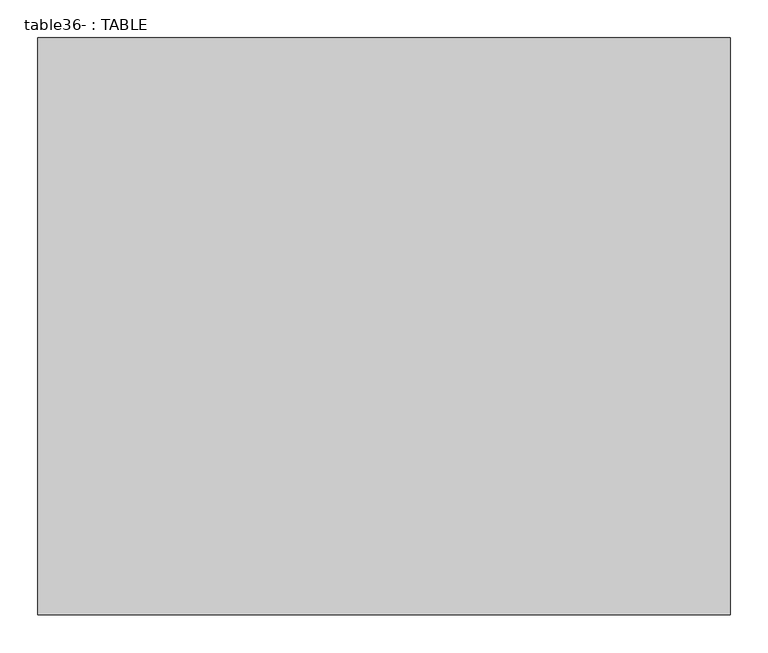
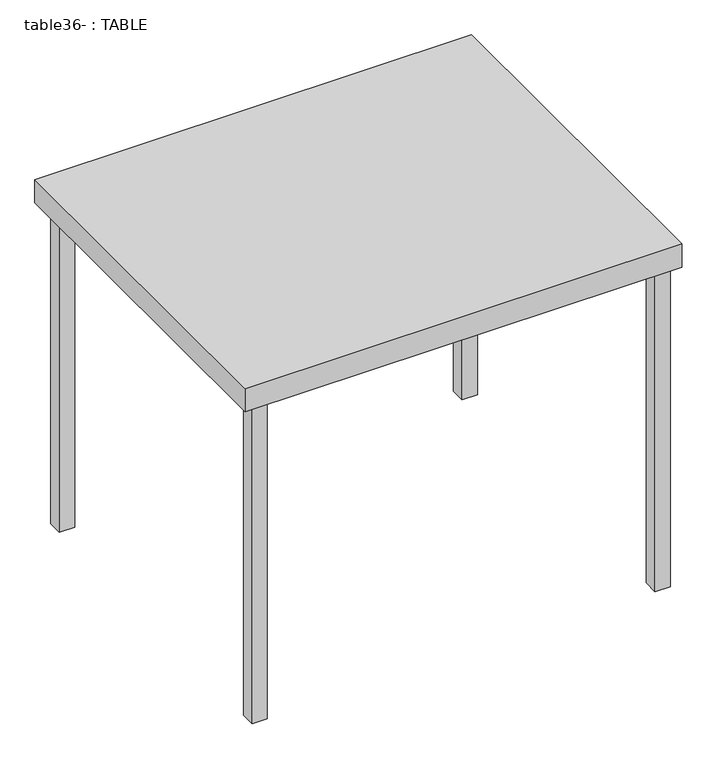
"""IFC4 building model written with IfcOpenShell, lengths in millimetres: proxy geometry, table36- : TABLE."""

from ifc_helpers import new_model, si_unit, frame, origin, origin_with_axes, place, context, project, spatial, polyline, outline, extrude, source, transform, mapped, element, save


def table36_table_97dfc791(model_context):
    return source(origin(), model_context, "Body", "SweptSolid", [
        extrude(outline(polyline([(795.0137517, -655.1715496), (795.0137517, -623.4215496), (826.7637517, -623.4215496), (826.7637517, -655.1715496), (795.0137517, -655.1715496)])), origin_with_axes(), (0.0, 0.0, 1.0), 710.442417),
        extrude(outline(polyline([(795.0137517, 75.7774374), (826.7637517, 75.7774374), (826.7637517, 44.0274374), (795.0137517, 44.0274374), (795.0137517, 75.7774374)])), origin_with_axes(), (0.0, 0.0, 1.0), 710.442417),
        extrude(outline(polyline([(-14.7019433, -652.1166782), (-46.4519433, -652.1166782), (-46.4519433, -620.3666782), (-14.7019433, -620.3666782), (-14.7019433, -652.1166782)])), origin_with_axes(), (0.0, 0.0, 1.0), 710.442417),
        extrude(outline(polyline([(-14.7019433, 78.8323089), (-14.7019433, 47.0823089), (-46.4519433, 47.0823089), (-46.4519433, 78.8323089), (-14.7019433, 78.8323089)])), origin_with_axes(), (0.0, 0.0, 1.0), 710.442417),
        extrude(outline(polyline([(842.378976, 91.3029439), (842.378976, -670.6970561), (-72.021024, -670.6970561), (-72.021024, 91.3029439), (842.378976, 91.3029439)])), frame((0.0, 0.0, 710.442417), z_axis=(0.0, 0.0, 1.0), x_axis=(1.0, 0.0, 0.0)), (0.0, 0.0, 1.0), 51.557583),
    ])


if __name__ == "__main__":
    model = new_model("IFC4")
    model_context = context("Model", 3, world=origin())
    ifc_project = project(units=[si_unit("LENGTHUNIT", "METRE", prefix="MILLI")], contexts=[model_context])
    site = spatial("IfcSite", under=ifc_project)
    building = spatial("IfcBuilding", under=site)
    placement = place(None, origin())
    table36_table_shape = table36_table_97dfc791(model_context)
    element("IfcBuildingElementProxy", 1, Name="table36- : TABLE", ObjectType="table36- : TABLE", at=placement, inside=building, context=model_context, shape_type="MappedRepresentation", body=[
        mapped(table36_table_shape, transform((0.0, 0.0, 0.0), x_axis=(1.0, 0.0, 0.0), y_axis=(0.0, 1.0, 0.0), z_axis=(0.0, 0.0, 1.0))),
    ])
    save(model, "model.ifc")
